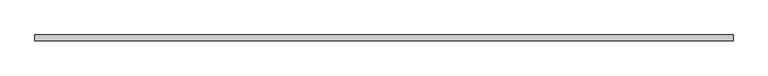
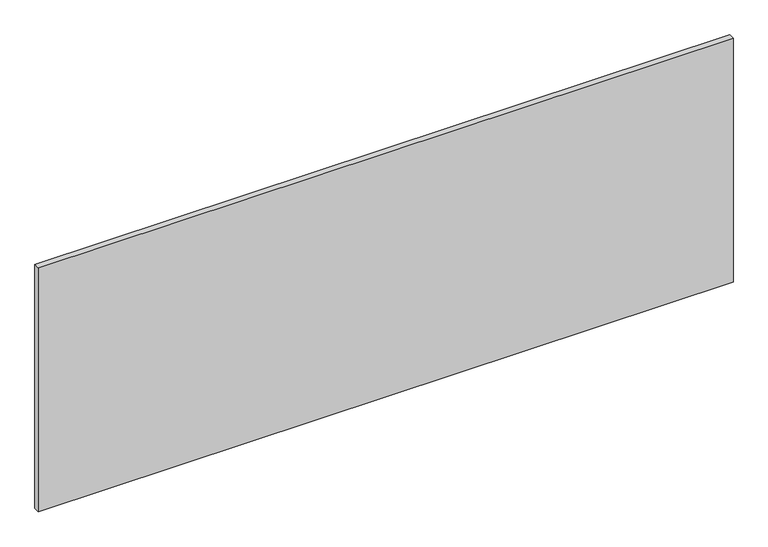
"""IFC4 building model written with IfcOpenShell, lengths in millimetres: furniture geometry."""

from ifc_helpers import new_model, si_unit, frame, origin, place, context, project, spatial, polyline, outline, extrude, source, transform, mapped, element, save


def furniture_0b8ba578(model_context):
    return source(origin(), model_context, "Body", "SweptSolid", [
        extrude(outline(polyline([(0.59944, 44.5440062), (2437.7994553, 44.5440062), (2437.7994553, 23.9700054), (0.59944, 23.9700054), (0.59944, 44.5440062)])), frame((0.0, 0.0, 139.700003), z_axis=(0.0, 0.0, 1.0), x_axis=(1.0, 0.0, 0.0)), (0.0, 0.0, 1.0), 904.6999834),
    ])


if __name__ == "__main__":
    model = new_model("IFC4")
    model_context = context("Model", 3, world=origin())
    ifc_project = project(units=[si_unit("LENGTHUNIT", "METRE", prefix="MILLI")], contexts=[model_context])
    site = spatial("IfcSite", under=ifc_project)
    building = spatial("IfcBuilding", under=site)
    placement = place(None, origin())
    furniture_shape = furniture_0b8ba578(model_context)
    element("IfcFurniture", 1, at=placement, inside=building, context=model_context, shape_type="MappedRepresentation", body=[
        mapped(furniture_shape, transform((0.0, 0.0, 0.0), x_axis=(1.0, 0.0, 0.0), y_axis=(0.0, 1.0, 0.0), z_axis=(0.0, 0.0, 1.0))),
    ])
    save(model, "model.ifc")
